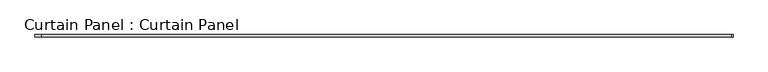
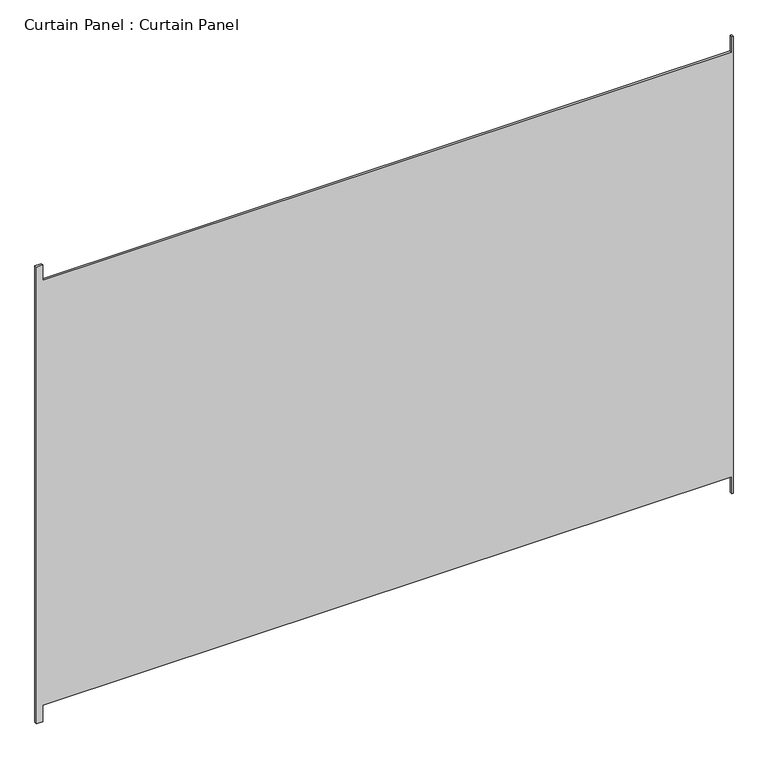
"""IFC4 building model written with IfcOpenShell, lengths in millimetres: plate geometry, Curtain Panel : Curtain Panel."""

from ifc_helpers import new_model, si_unit, frame, origin, place, context, project, spatial, polyline, outline, extrude, source, transform, mapped, element, save


def curtain_panel_curtain_panel_000d79dd(model_context):
    return source(origin(), model_context, "Body", "SweptSolid", [
        extrude(outline(polyline([(2438.4, -32592.2594959), (2482.85, -32592.2594959), (2482.85, -30852.3594959), (2438.4, -30852.3594959), (2438.4, -30849.1844918), (3657.6, -30849.1844918), (3657.6, -30852.3594959), (3616.325, -30852.3594959), (3616.325, -32592.2594959), (3657.6, -32592.2594959), (3657.6, -32608.1344959), (2438.4, -32608.1344959), (2438.4, -32592.2594959)])), frame((0.0, 5641.1319151, 0.0), z_axis=(0.0, 1.0, 0.0), x_axis=(0.0, 0.0, 1.0)), (0.0, 0.0, 1.0), 6.35),
    ])


if __name__ == "__main__":
    model = new_model("IFC4")
    model_context = context("Model", 3, world=origin())
    ifc_project = project(units=[si_unit("LENGTHUNIT", "METRE", prefix="MILLI")], contexts=[model_context])
    site = spatial("IfcSite", under=ifc_project)
    building = spatial("IfcBuilding", under=site)
    placement = place(None, origin())
    curtain_panel_curtain_panel_shape = curtain_panel_curtain_panel_000d79dd(model_context)
    element("IfcPlate", 1, ObjectType="Curtain Panel : Curtain Panel", at=placement, inside=building, context=model_context, shape_type="MappedRepresentation", body=[
        mapped(curtain_panel_curtain_panel_shape, transform((0.0, 0.0, 0.0), x_axis=(1.0, 0.0, 0.0), y_axis=(0.0, 1.0, 0.0), z_axis=(0.0, 0.0, 1.0))),
    ])
    save(model, "model.ifc")
